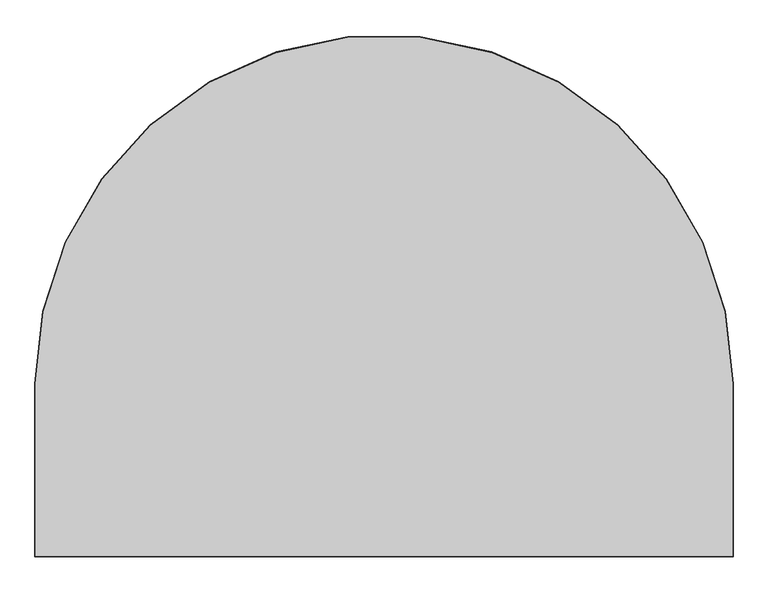
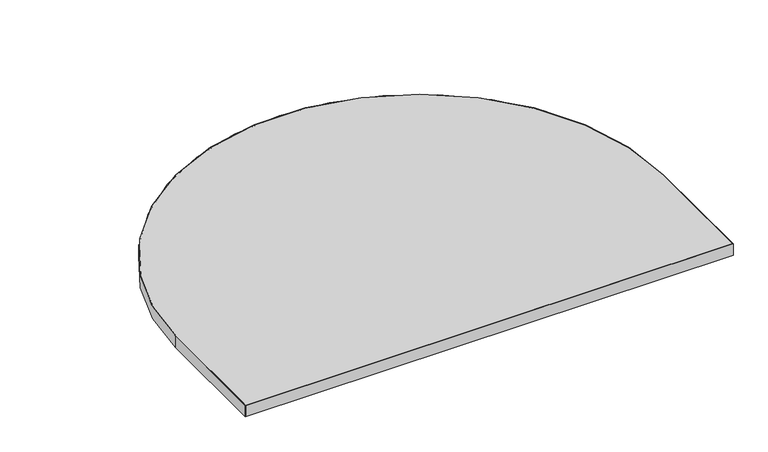
"""IFC4 building model written with IfcOpenShell, lengths in millimetres: furniture geometry."""

from ifc_helpers import new_model, si_unit, point, frame, frame_2d, origin, place, context, project, spatial, polyline, circle_curve, trimmed, segment, composite_curve, outline, extrude, source, transform, mapped, element, save


def furniture_f1fdf579(model_context):
    return source(origin(), model_context, "Body", "SweptSolid", [
        extrude(outline(composite_curve([segment(trimmed(circle_curve(frame_2d((609.6, 304.8)), 608.584), [point((1.016, 304.8))], [point((1218.184, 304.8))], False, "CARTESIAN"), True, "CONTINUOUS"), segment(polyline([(1218.184, 304.8), (1218.184, 4.1910001), (1.016, 4.1910001), (1.016, 304.8)]), True, "CONTINUOUS")], self_intersect=False)), frame((0.0, 0.0, 697.2297529), z_axis=(0.0, 0.0, 1.0), x_axis=(1.0, 0.0, 0.0)), (0.0, 0.0, 1.0), 29.972),
        extrude(outline(composite_curve([segment(trimmed(circle_curve(frame_2d((609.6, 304.8)), 609.6), [point((0.0, 304.8))], [point((1219.2, 304.8))], False, "CARTESIAN"), True, "CONTINUOUS"), segment(polyline([(1219.2, 304.8), (1219.2, 3.1750001), (0.0, 3.1750001), (0.0, 304.8)]), True, "CONTINUOUS")], self_intersect=False), holes=[composite_curve([segment(polyline([(1.016, 4.1910001), (1218.184, 4.1910001), (1218.184, 304.8)]), True, "CONTINUOUS"), segment(trimmed(circle_curve(frame_2d((609.6, 304.8)), 608.584), [point((1218.184, 304.8))], [point((1.016, 304.8))], True, "CARTESIAN"), True, "CONTINUOUS"), segment(polyline([(1.016, 304.8), (1.016, 4.1910001)]), True, "CONTINUOUS")], self_intersect=False)]), frame((0.0, 0.0, 697.2297529), z_axis=(0.0, 0.0, 1.0), x_axis=(1.0, 0.0, 0.0)), (0.0, 0.0, 1.0), 29.972),
    ])


if __name__ == "__main__":
    model = new_model("IFC4")
    model_context = context("Model", 3, world=origin())
    ifc_project = project(units=[si_unit("LENGTHUNIT", "METRE", prefix="MILLI")], contexts=[model_context])
    site = spatial("IfcSite", under=ifc_project)
    building = spatial("IfcBuilding", under=site)
    placement = place(None, origin())
    furniture_shape = furniture_f1fdf579(model_context)
    element("IfcFurniture", 1, at=placement, inside=building, context=model_context, shape_type="MappedRepresentation", body=[
        mapped(furniture_shape, transform((0.0, 0.0, 0.0), x_axis=(1.0, 0.0, 0.0), y_axis=(0.0, 1.0, 0.0), z_axis=(0.0, 0.0, 1.0))),
    ])
    save(model, "model.ifc")
